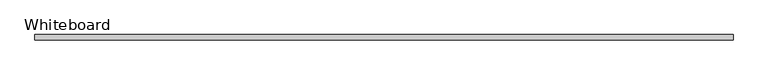
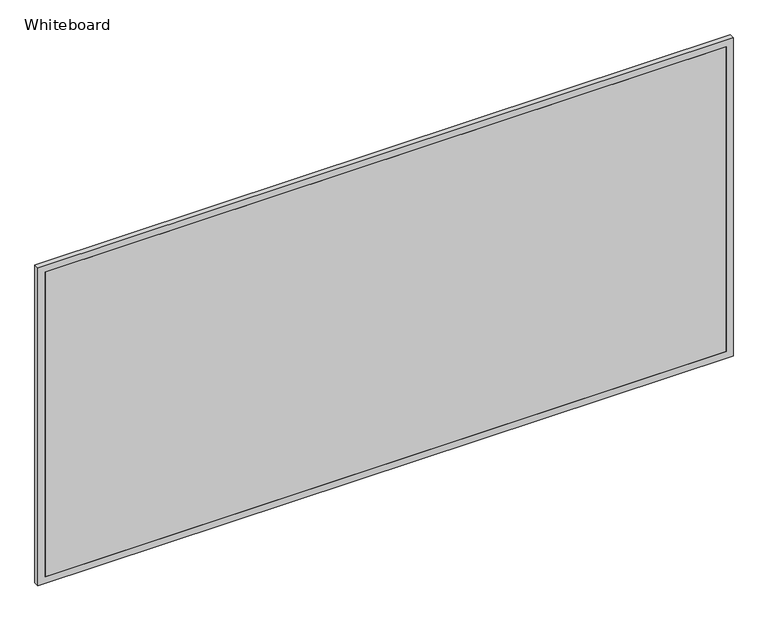
"""IFC4 building model written with IfcOpenShell, lengths in millimetres: proxy geometry, Whiteboard."""

from ifc_helpers import new_model, si_unit, frame, origin, place, context, project, spatial, polyline, outline, extrude, source, transform, mapped, element, save


def whiteboard_56b2b3fd(model_context):
    return source(origin(), model_context, "Body", "SweptSolid", [
        extrude(outline(polyline([(1216.025, 1449.7176124), (1216.025, -1055.9638126), (3.175, -1055.9638126), (3.175, 1449.7176124), (1216.025, 1449.7176124)]), holes=[polyline([(28.575, 1424.3176124), (28.575, -1030.5638126), (1190.625, -1030.5638126), (1190.625, 1424.3176124), (28.575, 1424.3176124)])]), frame((0.0, 0.0, 0.0), z_axis=(0.0, 1.0, 0.0), x_axis=(0.0, 0.0, 1.0)), (0.0, 0.0, 1.0), 19.05),
        extrude(outline(polyline([(1424.3176124, 19.05), (1424.3176124, 0.0), (-1030.5638126, 0.0), (-1030.5638126, 19.05), (1424.3176124, 19.05)])), frame((0.0, 0.0, 28.575), z_axis=(0.0, 0.0, 1.0), x_axis=(1.0, 0.0, 0.0)), (0.0, 0.0, 1.0), 1162.05),
    ])


if __name__ == "__main__":
    model = new_model("IFC4")
    model_context = context("Model", 3, world=origin())
    ifc_project = project(units=[si_unit("LENGTHUNIT", "METRE", prefix="MILLI")], contexts=[model_context])
    site = spatial("IfcSite", under=ifc_project)
    building = spatial("IfcBuilding", under=site)
    placement = place(None, origin())
    whiteboard_shape = whiteboard_56b2b3fd(model_context)
    element("IfcBuildingElementProxy", 1, Name="Whiteboard", ObjectType="Whiteboard", at=placement, inside=building, context=model_context, shape_type="MappedRepresentation", body=[
        mapped(whiteboard_shape, transform((0.0, 0.0, 0.0), x_axis=(1.0, 0.0, 0.0), y_axis=(0.0, 1.0, 0.0), z_axis=(0.0, 0.0, 1.0))),
    ])
    save(model, "model.ifc")
